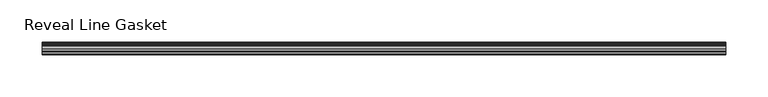
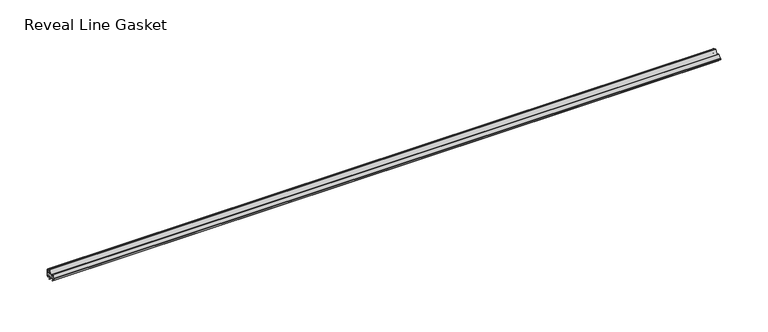
"""IFC4 building model written with IfcOpenShell, lengths in millimetres: furniture geometry, Reveal Line Gasket."""

from ifc_helpers import new_model, si_unit, point, frame, frame_2d, origin, place, context, project, spatial, polyline, circle_curve, trimmed, segment, composite_curve, outline, extrude, source, transform, mapped, element, save


def reveal_line_gasket_3b4d9b44(model_context):
    return source(origin(), model_context, "Body", "SweptSolid", [
        extrude(outline(composite_curve([segment(polyline([(7.6326998, 1603.2), (7.6326998, 1597.2), (7.4091917, 1596.2445073), (6.8813059, 1595.3115316)]), True, "CONTINUOUS"), segment(trimmed(circle_curve(frame_2d((6.5243141, 1595.5135207)), 0.4101739), [point((6.8813059, 1595.3115316))], [point((6.1246704, 1595.6058653))], False, "CARTESIAN"), True, "CONTINUOUS"), segment(polyline([(6.1246704, 1595.6058653), (6.3626997, 1597.3020914), (6.3626997, 1599.3345473)]), True, "CONTINUOUS"), segment(trimmed(circle_curve(frame_2d((5.6959605, 1598.9180742)), 0.786124), [point((6.3626997, 1599.3345473))], [point((5.0926996, 1599.422125))], True, "CARTESIAN"), True, "CONTINUOUS"), segment(polyline([(5.0926996, 1599.422125), (0.7492996, 1599.422125), (3.7293824, 1594.2604705)]), True, "CONTINUOUS"), segment(trimmed(circle_curve(frame_2d((3.3132479, 1594.1950239)), 0.4212495), [point((3.7293824, 1594.2604705))], [point((3.0485022, 1593.8673642))], False, "CARTESIAN"), True, "CONTINUOUS"), segment(polyline([(3.0485022, 1593.8673642), (-0.5742594, 1599.422125), (-4.8262978, 1599.422125), (-3.1660374, 1596.5464703)]), True, "CONTINUOUS"), segment(trimmed(circle_curve(frame_2d((-3.5978728, 1596.4881145)), 0.4357605), [point((-3.1660374, 1596.5464703))], [point((-3.864328, 1596.1433119))], False, "CARTESIAN"), True, "CONTINUOUS"), segment(polyline([(-3.864328, 1596.1433119), (-6.1944059, 1599.422125), (-7.6326998, 1599.422125), (-7.6326998, 1600.977875), (-6.1944059, 1600.977875), (-3.864328, 1604.2566881)]), True, "CONTINUOUS"), segment(trimmed(circle_curve(frame_2d((-3.5978728, 1603.9118855)), 0.4357605), [point((-3.864328, 1604.2566881))], [point((-3.1660374, 1603.8535297))], False, "CARTESIAN"), True, "CONTINUOUS"), segment(polyline([(-3.1660374, 1603.8535297), (-4.8262978, 1600.977875), (-0.5742594, 1600.977875), (3.0485022, 1606.5326358)]), True, "CONTINUOUS"), segment(trimmed(circle_curve(frame_2d((3.3132479, 1606.2049761)), 0.4212495), [point((3.0485022, 1606.5326358))], [point((3.7293824, 1606.1395295))], False, "CARTESIAN"), True, "CONTINUOUS"), segment(polyline([(3.7293824, 1606.1395295), (0.7492996, 1600.977875), (5.0926996, 1600.977875)]), True, "CONTINUOUS"), segment(trimmed(circle_curve(frame_2d((5.6959605, 1601.4819258)), 0.786124), [point((5.0926996, 1600.977875))], [point((6.3626997, 1601.0654527))], True, "CARTESIAN"), True, "CONTINUOUS"), segment(polyline([(6.3626997, 1601.0654527), (6.3626997, 1603.0979086), (6.1246704, 1604.7941347)]), True, "CONTINUOUS"), segment(trimmed(circle_curve(frame_2d((6.5243141, 1604.8864793)), 0.4101739), [point((6.1246704, 1604.7941347))], [point((6.8813059, 1605.0884684))], False, "CARTESIAN"), True, "CONTINUOUS"), segment(polyline([(6.8813059, 1605.0884684), (7.4091917, 1604.1554927), (7.6326998, 1603.2)]), True, "CONTINUOUS")], self_intersect=False)), frame((-407.1249464, 0.0, 0.0), z_axis=(1.0, 0.0, 0.0), x_axis=(0.0, 1.0, 0.0)), (0.0, 0.0, 1.0), 814.2498928),
    ])


if __name__ == "__main__":
    model = new_model("IFC4")
    model_context = context("Model", 3, world=origin())
    ifc_project = project(units=[si_unit("LENGTHUNIT", "METRE", prefix="MILLI")], contexts=[model_context])
    site = spatial("IfcSite", under=ifc_project)
    building = spatial("IfcBuilding", under=site)
    placement = place(None, origin())
    reveal_line_gasket_shape = reveal_line_gasket_3b4d9b44(model_context)
    element("IfcFurniture", 1, ObjectType="Reveal Line Gasket", at=placement, inside=building, context=model_context, shape_type="MappedRepresentation", body=[
        mapped(reveal_line_gasket_shape, transform((0.0, 0.0, 0.0), x_axis=(1.0, 0.0, 0.0), y_axis=(0.0, 1.0, 0.0), z_axis=(0.0, 0.0, 1.0))),
    ])
    save(model, "model.ifc")
